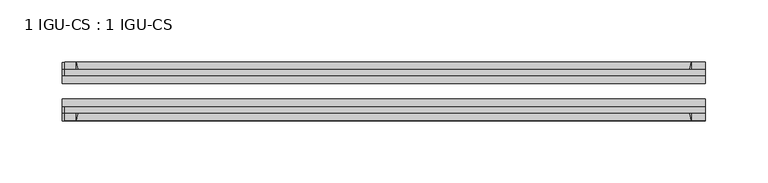
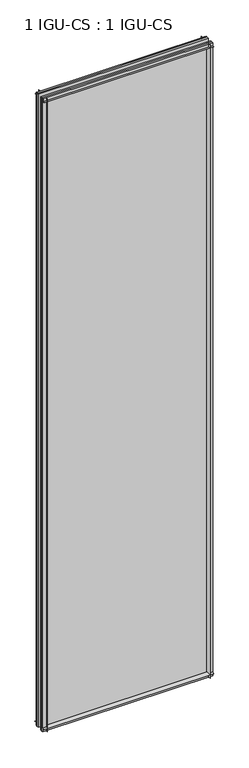
"""IFC4 building model written with IfcOpenShell, lengths in millimetres: plate geometry, 1 IGU-CS : 1 IGU-CS."""

from ifc_helpers import new_model, si_unit, point, frame, frame_2d, origin, place, context, project, spatial, polyline, circle_curve, trimmed, segment, composite_curve, outline, extrude, source, transform, mapped, element, save


def plate_1_igu_cs_1_igu_cs_62fe5584(model_context):
    return source(origin(), model_context, "Body", "SweptSolid", [
        extrude(outline(composite_curve([segment(polyline([(-44.45, 2009.8458595), (-44.45, 2023.26875), (-39.6748, 2023.26875), (-39.6748, 2013.74375), (-33.7058, 2013.74375)]), True, "CONTINUOUS"), segment(trimmed(circle_curve(frame_2d((-28.0741797, 1981.4639961)), 32.7673262), [point((-33.7058, 2013.74375))], [point((-44.45, 2009.8458595))], True, "CARTESIAN"), True, "CONTINUOUS")], self_intersect=False)), frame((-256.4480079, 0.0, 0.0), z_axis=(1.0, 0.0, 0.0), x_axis=(0.0, 1.0, 0.0)), (0.0, 0.0, 1.0), 514.6813413),
        extrude(outline(composite_curve([segment(trimmed(circle_curve(frame_2d((-86.2258203, 1981.4639961)), 32.7673262), [point((-69.85, 2009.8458595))], [point((-80.5942, 2013.74375))], True, "CARTESIAN"), True, "CONTINUOUS"), segment(polyline([(-80.5942, 2013.74375), (-74.6252, 2013.74375), (-74.6252, 2023.26875), (-69.85, 2023.26875), (-69.85, 2009.8458595)]), True, "CONTINUOUS")], self_intersect=False)), frame((-256.4480079, 0.0, 0.0), z_axis=(1.0, 0.0, 0.0), x_axis=(0.0, 1.0, 0.0)), (0.0, 0.0, 1.0), 514.6813413),
        extrude(outline(composite_curve([segment(trimmed(circle_curve(frame_2d((-28.0741797, 32.2797688)), 32.7673262), [point((-44.45, 3.8979053))], [point((-33.7058, 1.48e-05))], True, "CARTESIAN"), True, "CONTINUOUS"), segment(polyline([(-33.7058, 1.48e-05), (-39.6748, 1.48e-05), (-39.6748, -10.31875), (-44.45, -10.31875), (-44.45, 3.8979053)]), True, "CONTINUOUS")], self_intersect=False)), frame((-258.2333333, 0.0, 0.0), z_axis=(1.0, 0.0, 0.0), x_axis=(0.0, 1.0, 0.0)), (0.0, 0.0, 1.0), 516.4666667),
        extrude(outline(composite_curve([segment(trimmed(circle_curve(frame_2d((-86.2258203, 32.2797602)), 32.7673262), [point((-80.5942354, 0.0))], [point((-69.85, 3.8978967))], True, "CARTESIAN"), True, "CONTINUOUS"), segment(polyline([(-69.85, 3.8978967), (-69.85, -10.31875), (-74.6252, -10.31875), (-74.6252, 0.0), (-80.5942354, 0.0)]), True, "CONTINUOUS")], self_intersect=False)), frame((-258.2333333, 0.0, 0.0), z_axis=(1.0, 0.0, 0.0), x_axis=(0.0, 1.0, 0.0)), (0.0, 0.0, 1.0), 516.4666667),
        extrude(outline(composite_curve([segment(polyline([(258.2333333, -39.6748), (258.2333333, -44.45), (243.2229428, -44.45)]), True, "CONTINUOUS"), segment(trimmed(circle_curve(frame_2d((214.8410794, -28.0741797)), 32.7673262), [point((243.2229428, -44.45))], [point((247.1208333, -33.7058))], True, "CARTESIAN"), True, "CONTINUOUS"), segment(polyline([(247.1208333, -33.7058), (247.1208333, -39.6748), (258.2333333, -39.6748)]), True, "CONTINUOUS")], self_intersect=False)), frame((0.0, 0.0, -10.31875), z_axis=(0.0, 0.0, 1.0), x_axis=(1.0, 0.0, 0.0)), (0.0, 0.0, 1.0), 2033.5875),
        extrude(outline(composite_curve([segment(polyline([(258.2333333, -69.85), (258.2333333, -74.6252), (247.1208333, -74.6252), (247.1208333, -80.5942)]), True, "CONTINUOUS"), segment(trimmed(circle_curve(frame_2d((214.8410794, -86.2258203)), 32.7673262), [point((247.1208333, -80.5942))], [point((243.2229428, -69.85))], True, "CARTESIAN"), True, "CONTINUOUS"), segment(polyline([(243.2229428, -69.85), (258.2333333, -69.85)]), True, "CONTINUOUS")], self_intersect=False)), frame((0.0, 0.0, -10.31875), z_axis=(0.0, 0.0, 1.0), x_axis=(1.0, 0.0, 0.0)), (0.0, 0.0, 1.0), 2033.5875),
        extrude(outline(composite_curve([segment(polyline([(-258.2333333, -39.6748), (-247.1208333, -39.6748), (-247.1208333, -33.7058)]), True, "CONTINUOUS"), segment(trimmed(circle_curve(frame_2d((-214.8410794, -28.0741797)), 32.7673262), [point((-247.1208333, -33.7058))], [point((-243.2229428, -44.45))], True, "CARTESIAN"), True, "CONTINUOUS"), segment(polyline([(-243.2229428, -44.45), (-258.2333333, -44.45), (-258.2333333, -39.6748)]), True, "CONTINUOUS")], self_intersect=False)), frame((0.0, 0.0, -10.31875), z_axis=(0.0, 0.0, 1.0), x_axis=(1.0, 0.0, 0.0)), (0.0, 0.0, 1.0), 2033.5875),
        extrude(outline(composite_curve([segment(polyline([(-258.2333333, -74.6252), (-258.2333333, -69.85), (-243.2229428, -69.85)]), True, "CONTINUOUS"), segment(trimmed(circle_curve(frame_2d((-214.8410794, -86.2258203)), 32.7673262), [point((-243.2229428, -69.85))], [point((-247.1208333, -80.5942))], True, "CARTESIAN"), True, "CONTINUOUS"), segment(polyline([(-247.1208333, -80.5942), (-247.1208333, -74.6252), (-258.2333333, -74.6252)]), True, "CONTINUOUS")], self_intersect=False)), frame((0.0, 0.0, -10.31875), z_axis=(0.0, 0.0, 1.0), x_axis=(1.0, 0.0, 0.0)), (0.0, 0.0, 1.0), 2033.5875),
        extrude(outline(polyline([(-258.2333333, -69.85), (-258.2333333, -63.5508), (258.2333333, -63.5508), (258.2333333, -69.85), (-258.2333333, -69.85)])), frame((0.0, 0.0, -10.31875), z_axis=(0.0, 0.0, 1.0), x_axis=(1.0, 0.0, 0.0)), (0.0, 0.0, 1.0), 2033.5875),
        extrude(outline(polyline([(258.2333333, -50.7492), (-258.2333333, -50.7492), (-258.2333333, -44.45), (258.2333333, -44.45), (258.2333333, -50.7492)])), frame((0.0, 0.0, -10.31875), z_axis=(0.0, 0.0, 1.0), x_axis=(1.0, 0.0, 0.0)), (0.0, 0.0, 1.0), 2033.5875),
    ])


if __name__ == "__main__":
    model = new_model("IFC4")
    model_context = context("Model", 3, world=origin())
    ifc_project = project(units=[si_unit("LENGTHUNIT", "METRE", prefix="MILLI")], contexts=[model_context])
    site = spatial("IfcSite", under=ifc_project)
    building = spatial("IfcBuilding", under=site)
    placement = place(None, origin())
    plate_1_igu_cs_1_igu_cs_shape = plate_1_igu_cs_1_igu_cs_62fe5584(model_context)
    element("IfcPlate", 1, ObjectType="1 IGU-CS : 1 IGU-CS", at=placement, inside=building, context=model_context, shape_type="MappedRepresentation", body=[
        mapped(plate_1_igu_cs_1_igu_cs_shape, transform((0.0, 0.0, 0.0), x_axis=(1.0, 0.0, 0.0), y_axis=(0.0, 1.0, 0.0), z_axis=(0.0, 0.0, 1.0))),
    ])
    save(model, "model.ifc")
